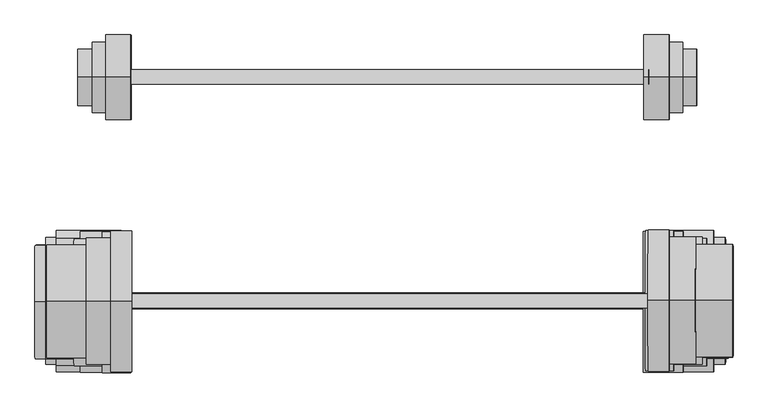
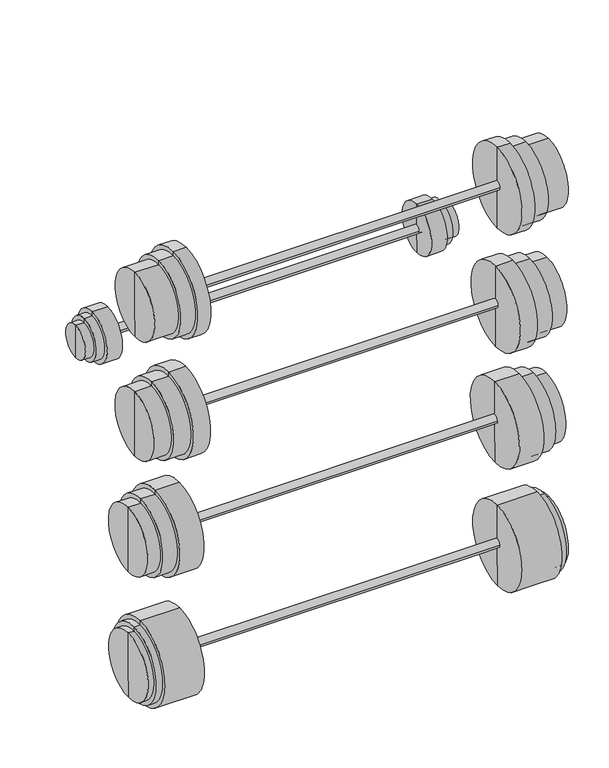
"""IFC4 building model written with IfcOpenShell, lengths in millimetres: proxy geometry."""

from ifc_helpers import new_model, si_unit, point, frame, frame_2d, origin, place, context, project, spatial, circle_curve, trimmed, segment, composite_curve, outline, extrude, source, transform, mapped, element, save
from ifc_brep_helpers import plane_surface, cylinder_surface, advanced_brep


def specialty_equipment_5665deca(model_context):
    return source(origin(), model_context, "Body", "SolidModel", [
        advanced_brep(
        [(1469.1501077, 2905.6755178, 964.8840592), (1469.29486, 2905.6755178, 888.6841967), (1469.0053554, 2905.6755178, 1041.0839217), (1564.3034343, 2905.6755178, 1015.8649079), (1564.4964374, 2905.6755178, 914.2650912), (1564.3999359, 2905.6755178, 965.0649996), (1538.9034802, 2905.6755178, 1015.8166572), (1539.0964832, 2905.6755178, 914.2168405), (1538.8793548, 2905.6755178, 1028.5166342), (1539.1206086, 2905.6755178, 901.5168634), (1515.0639653, 2905.6755178, 1028.4713936), (1515.3052191, 2905.6755178, 901.4716227), (1515.0398399, 2905.6755178, 1041.1713707), (1515.3293444, 2905.6755178, 888.7716456)],
        [
            (0, 1),
            (1, 2, circle_curve(frame((1469.1501077, 2905.6755178, 964.8840592), z_axis=(-0.9999981956892882, 0.0, -0.001899636325284712), x_axis=(0.0018996363252847125, 0.0, -0.9999981956892884)), 76.2)),
            (2, 0),
            (2, 1, circle_curve(frame((1469.1501077, 2905.6755178, 964.8840592), z_axis=(-0.9999981956892882, 0.0, -0.001899636325284712), x_axis=(0.0018996363252847125, 0.0, -0.9999981956892884)), 76.2)),
            (3, 4, circle_curve(frame((1564.3999359, 2905.6755178, 965.0649996), z_axis=(0.9999981956892882, 0.0, 0.001899636325284712), x_axis=(0.0018996363252847125, 0.0, -0.9999981956892884)), 50.8)),
            (4, 5),
            (5, 3),
            (4, 3, circle_curve(frame((1564.3999359, 2905.6755178, 965.0649996), z_axis=(0.9999981956892882, 0.0, 0.001899636325284712), x_axis=(0.0018996363252847125, 0.0, -0.9999981956892884)), 50.8)),
            (6, 7, circle_curve(frame((1538.9999817, 2905.6755178, 965.0167488), z_axis=(0.9999981956892882, 0.0, 0.001899636325284712), x_axis=(0.0018996363252847125, 0.0, -0.9999981956892884)), 50.8)),
            (7, 4),
            (3, 6),
            (7, 6, circle_curve(frame((1538.9999817, 2905.6755178, 965.0167488), z_axis=(0.9999981956892882, 0.0, 0.001899636325284712), x_axis=(0.0018996363252847125, 0.0, -0.9999981956892884)), 50.8)),
            (8, 9, circle_curve(frame((1538.9999817, 2905.6755178, 965.0167488), z_axis=(0.9999981956892882, 0.0, 0.001899636325284712), x_axis=(0.0018996363252847125, 0.0, -0.9999981956892884)), 63.5)),
            (9, 7),
            (6, 8),
            (9, 8, circle_curve(frame((1538.9999817, 2905.6755178, 965.0167488), z_axis=(0.9999981956892882, 0.0, 0.001899636325284712), x_axis=(0.0018996363252847125, 0.0, -0.9999981956892884)), 63.5)),
            (10, 11, circle_curve(frame((1515.1845922, 2905.6755178, 964.9715081), z_axis=(0.9999981956892882, 0.0, 0.001899636325284712), x_axis=(0.0018996363252847125, 0.0, -0.9999981956892884)), 63.5)),
            (11, 9),
            (8, 10),
            (11, 10, circle_curve(frame((1515.1845922, 2905.6755178, 964.9715081), z_axis=(0.9999981956892882, 0.0, 0.001899636325284712), x_axis=(0.0018996363252847125, 0.0, -0.9999981956892884)), 63.5)),
            (12, 13, circle_curve(frame((1515.1845922, 2905.6755178, 964.9715081), z_axis=(0.9999981956892882, 0.0, 0.001899636325284712), x_axis=(0.0018996363252847125, 0.0, -0.9999981956892884)), 76.2)),
            (13, 11),
            (10, 12),
            (13, 12, circle_curve(frame((1515.1845922, 2905.6755178, 964.9715081), z_axis=(0.9999981956892882, 0.0, 0.001899636325284712), x_axis=(0.0018996363252847125, 0.0, -0.9999981956892884)), 76.2)),
            (1, 13),
            (12, 2),
        ],
        [
            plane_surface(frame((1469.1501077, 2905.6755178, 964.8840592), z_axis=(-0.9999981956892882, 0.0, -0.001899636325284712), x_axis=(0.001899636325284712, 0.0, -0.9999981956892882))),
            plane_surface(frame((1564.3999359, 2905.6755178, 965.0649996), z_axis=(0.9999981956892882, 0.0, 0.001899636325284712), x_axis=(0.001899636325284712, 0.0, -0.9999981956892882))),
            cylinder_surface(frame((1564.3999359, 2905.6755178, 965.0649996), z_axis=(-0.9999981956892882, 0.0, -0.001899636325284712), x_axis=(0.0018996363252847125, 0.0, -0.9999981956892884)), 50.8),
            plane_surface(frame((1538.9999817, 2905.6755178, 965.0167488), z_axis=(0.9999981956892882, 0.0, 0.001899636325284712), x_axis=(0.001899636325284712, 0.0, -0.9999981956892882))),
            cylinder_surface(frame((1564.3999359, 2905.6755178, 965.0649996), z_axis=(-0.9999981956892882, 0.0, -0.001899636325284712), x_axis=(0.0018996363252847125, 0.0, -0.9999981956892884)), 63.5),
            plane_surface(frame((1515.1845922, 2905.6755178, 964.9715081), z_axis=(0.9999981956892882, 0.0, 0.001899636325284712), x_axis=(0.001899636325284712, 0.0, -0.9999981956892882))),
            cylinder_surface(frame((1564.3999359, 2905.6755178, 965.0649996), z_axis=(-0.9999981956892882, 0.0, -0.001899636325284712), x_axis=(0.0018996363252847125, 0.0, -0.9999981956892884)), 76.2),
        ],
        [
            (0, [[1, 2, 3]]),
            (0, [[-3, 4, -1]]),
            (1, [[5, 6, 7]]),
            (1, [[8, -7, -6]]),
            (2, [[9, 10, -5, 11]]),
            (2, [[12, -11, -8, -10]]),
            (3, [[13, 14, -9, 15]]),
            (3, [[16, -15, -12, -14]]),
            (4, [[17, 18, -13, 19]]),
            (4, [[20, -19, -16, -18]]),
            (5, [[21, 22, -17, 23]]),
            (5, [[24, -23, -20, -22]]),
            (6, [[-2, 25, -21, 26]]),
            (6, [[-4, -26, -24, -25]]),
        ],
    ),
        extrude(outline(composite_curve([segment(trimmed(circle_curve(frame_2d((0.0, -12.7)), 12.7), [point((0.0, -25.4))], [point((0.0, 0.0))], False, "CARTESIAN"), True, "CONTINUOUS"), segment(trimmed(circle_curve(frame_2d((0.0, -12.7)), 12.7), [point((0.0, 0.0))], [point((0.0, -25.4))], False, "CARTESIAN"), True, "CONTINUOUS")], self_intersect=False)), frame((548.4067578, 2919.2123232, 961.2144949), z_axis=(0.9999981956892882, 0.0, 0.0018996363252847118), x_axis=(0.0018996363252847118, 0.0, -0.9999981956892882)), (0.0, 0.0, 1.0), 929.7628431),
        advanced_brep(
        [(502.9975828, 2905.6755178, 1040.6601923), (503.2870873, 2905.6755178, 888.2604673), (548.5451808, 2905.6755178, 888.3464414), (548.2556763, 2905.6755178, 1040.7461664), (503.0217081, 2905.6755178, 1027.9602152), (503.262962, 2905.6755178, 900.9604444), (478.4299277, 2905.6755178, 1027.9134997), (478.6711815, 2905.6755178, 900.9137288), (478.454053, 2905.6755178, 1015.2135226), (478.6470561, 2905.6755178, 913.6137059), (453.0540989, 2905.6755178, 1015.1652719), (453.2471019, 2905.6755178, 913.5654552), (453.1506004, 2905.6755178, 964.3653635), (548.4004285, 2905.6755178, 964.5463039)],
        [
            (0, 1, circle_curve(frame((503.1423351, 2905.6755178, 964.4603298), z_axis=(0.9999981956892882, 0.0, 0.001899636325284712), x_axis=(0.0018996363252847125, 0.0, -0.9999981956892884)), 76.2)),
            (1, 2),
            (2, 3, circle_curve(frame((548.4004285, 2905.6755178, 964.5463039), z_axis=(-0.9999981956892882, 0.0, -0.001899636325284712), x_axis=(0.0018996363252847125, 0.0, -0.9999981956892884)), 76.2)),
            (3, 0),
            (1, 0, circle_curve(frame((503.1423351, 2905.6755178, 964.4603298), z_axis=(0.9999981956892882, 0.0, 0.001899636325284712), x_axis=(0.0018996363252847125, 0.0, -0.9999981956892884)), 76.2)),
            (3, 2, circle_curve(frame((548.4004285, 2905.6755178, 964.5463039), z_axis=(-0.9999981956892882, 0.0, -0.001899636325284712), x_axis=(0.0018996363252847125, 0.0, -0.9999981956892884)), 76.2)),
            (4, 5, circle_curve(frame((503.1423351, 2905.6755178, 964.4603298), z_axis=(0.9999981956892882, 0.0, 0.001899636325284712), x_axis=(0.0018996363252847125, 0.0, -0.9999981956892884)), 63.5)),
            (5, 1),
            (0, 4),
            (5, 4, circle_curve(frame((503.1423351, 2905.6755178, 964.4603298), z_axis=(0.9999981956892882, 0.0, 0.001899636325284712), x_axis=(0.0018996363252847125, 0.0, -0.9999981956892884)), 63.5)),
            (6, 7, circle_curve(frame((478.5505546, 2905.6755178, 964.4136143), z_axis=(0.9999981956892882, 0.0, 0.001899636325284712), x_axis=(0.0018996363252847125, 0.0, -0.9999981956892884)), 63.5)),
            (7, 5),
            (4, 6),
            (7, 6, circle_curve(frame((478.5505546, 2905.6755178, 964.4136143), z_axis=(0.9999981956892882, 0.0, 0.001899636325284712), x_axis=(0.0018996363252847125, 0.0, -0.9999981956892884)), 63.5)),
            (8, 9, circle_curve(frame((478.5505546, 2905.6755178, 964.4136143), z_axis=(0.9999981956892882, 0.0, 0.001899636325284712), x_axis=(0.0018996363252847125, 0.0, -0.9999981956892884)), 50.8)),
            (9, 7),
            (6, 8),
            (9, 8, circle_curve(frame((478.5505546, 2905.6755178, 964.4136143), z_axis=(0.9999981956892882, 0.0, 0.001899636325284712), x_axis=(0.0018996363252847125, 0.0, -0.9999981956892884)), 50.8)),
            (10, 11, circle_curve(frame((453.1506004, 2905.6755178, 964.3653635), z_axis=(0.9999981956892882, 0.0, 0.001899636325284712), x_axis=(0.0018996363252847125, 0.0, -0.9999981956892884)), 50.8)),
            (11, 9),
            (8, 10),
            (11, 10, circle_curve(frame((453.1506004, 2905.6755178, 964.3653635), z_axis=(0.9999981956892882, 0.0, 0.001899636325284712), x_axis=(0.0018996363252847125, 0.0, -0.9999981956892884)), 50.8)),
            (12, 11),
            (10, 12),
            (2, 13),
            (13, 3),
        ],
        [
            cylinder_surface(frame((453.1506004, 2905.6755178, 964.3653635), z_axis=(-0.9999981956892882, 0.0, -0.001899636325284712), x_axis=(0.0018996363252847125, 0.0, -0.9999981956892884)), 76.2),
            plane_surface(frame((503.1423351, 2905.6755178, 964.4603298), z_axis=(-0.9999981956892882, 0.0, -0.001899636325284712), x_axis=(0.001899636325284712, 0.0, -0.9999981956892882))),
            cylinder_surface(frame((453.1506004, 2905.6755178, 964.3653635), z_axis=(-0.9999981956892882, 0.0, -0.001899636325284712), x_axis=(0.0018996363252847125, 0.0, -0.9999981956892884)), 63.5),
            plane_surface(frame((478.5505546, 2905.6755178, 964.4136143), z_axis=(-0.9999981956892882, 0.0, -0.001899636325284712), x_axis=(0.001899636325284712, 0.0, -0.9999981956892882))),
            cylinder_surface(frame((453.1506004, 2905.6755178, 964.3653635), z_axis=(-0.9999981956892882, 0.0, -0.001899636325284712), x_axis=(0.0018996363252847125, 0.0, -0.9999981956892884)), 50.8),
            plane_surface(frame((453.1506004, 2905.6755178, 964.3653635), z_axis=(-0.9999981956892882, 0.0, -0.001899636325284712), x_axis=(0.001899636325284712, 0.0, -0.9999981956892882))),
            plane_surface(frame((548.4004285, 2905.6755178, 964.5463039), z_axis=(0.9999981956892882, 0.0, 0.001899636325284712), x_axis=(0.001899636325284712, 0.0, -0.9999981956892882))),
        ],
        [
            (0, [[1, 2, 3, 4]]),
            (0, [[5, -4, 6, -2]]),
            (1, [[7, 8, -1, 9]]),
            (1, [[10, -9, -5, -8]]),
            (2, [[11, 12, -7, 13]]),
            (2, [[14, -13, -10, -12]]),
            (3, [[15, 16, -11, 17]]),
            (3, [[18, -17, -14, -16]]),
            (4, [[19, 20, -15, 21]]),
            (4, [[22, -21, -18, -20]]),
            (5, [[23, -19, 24]]),
            (5, [[-24, -22, -23]]),
            (6, [[-3, 25, 26]]),
            (6, [[-6, -26, -25]]),
        ],
    ),
        extrude(outline(composite_curve([segment(trimmed(circle_curve(frame_2d((0.0, -12.7)), 12.7), [point((0.0, -25.4))], [point((0.0, 0.0))], False, "CARTESIAN"), True, "CONTINUOUS"), segment(trimmed(circle_curve(frame_2d((0.0, -12.7)), 12.7), [point((0.0, 0.0))], [point((0.0, -25.4))], False, "CARTESIAN"), True, "CONTINUOUS")], self_intersect=False)), frame((497.5993768, 2515.108288, 609.0766567), z_axis=(0.9999981956892882, 0.0, 0.001899636325278269), x_axis=(0.001899636325278269, 0.0, -0.9999981956892882)), (0.0, 0.0, 1.0), 975.2843977),
        advanced_brep(
        [(1468.1498944, 2501.5714826, 600.823924), (1468.3911482, 2501.5714826, 473.8241531), (1467.9086406, 2501.5714826, 727.8236948), (1620.3566164, 2501.5714826, 702.7132452), (1620.7426225, 2501.5714826, 499.5136119), (1620.5496195, 2501.5714826, 601.1134285), (1582.2740777, 2501.5714826, 702.6409021), (1582.6600838, 2501.5714826, 499.4412687), (1582.2499523, 2501.5714826, 715.3408792), (1582.6842092, 2501.5714826, 486.7412917), (1540.0307396, 2501.5714826, 715.2606779), (1540.4649965, 2501.5714826, 486.6610904), (1540.0066142, 2501.5714826, 727.960655), (1540.4891218, 2501.5714826, 473.9611133)],
        [
            (0, 1),
            (1, 2, circle_curve(frame((1468.1498944, 2501.5714826, 600.823924), z_axis=(-0.9999981956892882, 0.0, -0.0018996363252782693), x_axis=(0.0018996363252782697, 0.0, -0.9999981956892884)), 127.0)),
            (2, 0),
            (2, 1, circle_curve(frame((1468.1498944, 2501.5714826, 600.823924), z_axis=(-0.9999981956892882, 0.0, -0.0018996363252782693), x_axis=(0.0018996363252782697, 0.0, -0.9999981956892884)), 127.0)),
            (3, 4, circle_curve(frame((1620.5496195, 2501.5714826, 601.1134285), z_axis=(0.9999981956892882, 0.0, 0.0018996363252782693), x_axis=(0.0018996363252782697, 0.0, -0.9999981956892884)), 101.6)),
            (4, 5),
            (5, 3),
            (4, 3, circle_curve(frame((1620.5496195, 2501.5714826, 601.1134285), z_axis=(0.9999981956892882, 0.0, 0.0018996363252782693), x_axis=(0.0018996363252782697, 0.0, -0.9999981956892884)), 101.6)),
            (6, 7, circle_curve(frame((1582.4670808, 2501.5714826, 601.0410854), z_axis=(0.9999981956892882, 0.0, 0.0018996363252782693), x_axis=(0.0018996363252782697, 0.0, -0.9999981956892884)), 101.6)),
            (7, 4),
            (3, 6),
            (7, 6, circle_curve(frame((1582.4670808, 2501.5714826, 601.0410854), z_axis=(0.9999981956892882, 0.0, 0.0018996363252782693), x_axis=(0.0018996363252782697, 0.0, -0.9999981956892884)), 101.6)),
            (8, 9, circle_curve(frame((1582.4670808, 2501.5714826, 601.0410854), z_axis=(0.9999981956892882, 0.0, 0.0018996363252782693), x_axis=(0.0018996363252782697, 0.0, -0.9999981956892884)), 114.3)),
            (9, 7),
            (6, 8),
            (9, 8, circle_curve(frame((1582.4670808, 2501.5714826, 601.0410854), z_axis=(0.9999981956892882, 0.0, 0.0018996363252782693), x_axis=(0.0018996363252782697, 0.0, -0.9999981956892884)), 114.3)),
            (10, 11, circle_curve(frame((1540.247868, 2501.5714826, 600.9608841), z_axis=(0.9999981956892882, 0.0, 0.0018996363252782693), x_axis=(0.0018996363252782697, 0.0, -0.9999981956892884)), 114.3)),
            (11, 9),
            (8, 10),
            (11, 10, circle_curve(frame((1540.247868, 2501.5714826, 600.9608841), z_axis=(0.9999981956892882, 0.0, 0.0018996363252782693), x_axis=(0.0018996363252782697, 0.0, -0.9999981956892884)), 114.3)),
            (12, 13, circle_curve(frame((1540.247868, 2501.5714826, 600.9608841), z_axis=(0.9999981956892882, 0.0, 0.0018996363252782693), x_axis=(0.0018996363252782697, 0.0, -0.9999981956892884)), 127.0)),
            (13, 11),
            (10, 12),
            (13, 12, circle_curve(frame((1540.247868, 2501.5714826, 600.9608841), z_axis=(0.9999981956892882, 0.0, 0.0018996363252782693), x_axis=(0.0018996363252782697, 0.0, -0.9999981956892884)), 127.0)),
            (1, 13),
            (12, 2),
        ],
        [
            plane_surface(frame((1468.1498944, 2501.5714826, 600.823924), z_axis=(-0.9999981956892882, 0.0, -0.0018996363252782693), x_axis=(0.0018996363252782693, 0.0, -0.9999981956892882))),
            plane_surface(frame((1620.5496195, 2501.5714826, 601.1134285), z_axis=(0.9999981956892882, 0.0, 0.0018996363252782693), x_axis=(0.0018996363252782693, 0.0, -0.9999981956892882))),
            cylinder_surface(frame((1620.5496195, 2501.5714826, 601.1134285), z_axis=(-0.9999981956892882, 0.0, -0.0018996363252782693), x_axis=(0.0018996363252782697, 0.0, -0.9999981956892884)), 101.6),
            plane_surface(frame((1582.4670808, 2501.5714826, 601.0410854), z_axis=(0.9999981956892882, 0.0, 0.0018996363252782693), x_axis=(0.0018996363252782693, 0.0, -0.9999981956892882))),
            cylinder_surface(frame((1620.5496195, 2501.5714826, 601.1134285), z_axis=(-0.9999981956892882, 0.0, -0.0018996363252782693), x_axis=(0.0018996363252782697, 0.0, -0.9999981956892884)), 114.3),
            plane_surface(frame((1540.247868, 2501.5714826, 600.9608841), z_axis=(0.9999981956892882, 0.0, 0.0018996363252782693), x_axis=(0.0018996363252782693, 0.0, -0.9999981956892882))),
            cylinder_surface(frame((1620.5496195, 2501.5714826, 601.1134285), z_axis=(-0.9999981956892882, 0.0, -0.0018996363252782693), x_axis=(0.0018996363252782697, 0.0, -0.9999981956892884)), 127.0),
        ],
        [
            (0, [[1, 2, 3]]),
            (0, [[-3, 4, -1]]),
            (1, [[5, 6, 7]]),
            (1, [[8, -7, -6]]),
            (2, [[9, 10, -5, 11]]),
            (2, [[12, -11, -8, -10]]),
            (3, [[13, 14, -9, 15]]),
            (3, [[16, -15, -12, -14]]),
            (4, [[17, 18, -13, 19]]),
            (4, [[20, -19, -16, -18]]),
            (5, [[21, 22, -17, 23]]),
            (5, [[24, -23, -20, -22]]),
            (6, [[-2, 25, -21, 26]]),
            (6, [[-4, -26, -24, -25]]),
        ],
    ),
        advanced_brep(
        [(456.9088376, 2501.5714826, 740.6491981), (457.3913453, 2501.5714826, 486.6496564), (528.7075253, 2501.5714826, 486.7851315), (528.2250177, 2501.5714826, 740.7846732), (456.932963, 2501.5714826, 727.949221), (457.3672199, 2501.5714826, 499.3496335), (413.7261074, 2501.5714826, 727.8671436), (414.1603643, 2501.5714826, 499.267556), (413.7502328, 2501.5714826, 715.1671665), (414.1362389, 2501.5714826, 511.9675331), (375.8735435, 2501.5714826, 715.0952144), (376.2595496, 2501.5714826, 511.8955811), (376.0665465, 2501.5714826, 613.4953977), (528.4662715, 2501.5714826, 613.7849023)],
        [
            (0, 1, circle_curve(frame((457.1500915, 2501.5714826, 613.6494273), z_axis=(0.9999981956892882, 0.0, 0.0018996363252782693), x_axis=(0.0018996363252782697, 0.0, -0.9999981956892884)), 127.0)),
            (1, 2),
            (2, 3, circle_curve(frame((528.4662715, 2501.5714826, 613.7849023), z_axis=(-0.9999981956892882, 0.0, -0.0018996363252782693), x_axis=(0.0018996363252782697, 0.0, -0.9999981956892884)), 127.0)),
            (3, 0),
            (1, 0, circle_curve(frame((457.1500915, 2501.5714826, 613.6494273), z_axis=(0.9999981956892882, 0.0, 0.0018996363252782693), x_axis=(0.0018996363252782697, 0.0, -0.9999981956892884)), 127.0)),
            (3, 2, circle_curve(frame((528.4662715, 2501.5714826, 613.7849023), z_axis=(-0.9999981956892882, 0.0, -0.0018996363252782693), x_axis=(0.0018996363252782697, 0.0, -0.9999981956892884)), 127.0)),
            (4, 5, circle_curve(frame((457.1500915, 2501.5714826, 613.6494273), z_axis=(0.9999981956892882, 0.0, 0.0018996363252782693), x_axis=(0.0018996363252782697, 0.0, -0.9999981956892884)), 114.3)),
            (5, 1),
            (0, 4),
            (5, 4, circle_curve(frame((457.1500915, 2501.5714826, 613.6494273), z_axis=(0.9999981956892882, 0.0, 0.0018996363252782693), x_axis=(0.0018996363252782697, 0.0, -0.9999981956892884)), 114.3)),
            (6, 7, circle_curve(frame((413.9432358, 2501.5714826, 613.5673498), z_axis=(0.9999981956892882, 0.0, 0.0018996363252782693), x_axis=(0.0018996363252782697, 0.0, -0.9999981956892884)), 114.3)),
            (7, 5),
            (4, 6),
            (7, 6, circle_curve(frame((413.9432358, 2501.5714826, 613.5673498), z_axis=(0.9999981956892882, 0.0, 0.0018996363252782693), x_axis=(0.0018996363252782697, 0.0, -0.9999981956892884)), 114.3)),
            (8, 9, circle_curve(frame((413.9432358, 2501.5714826, 613.5673498), z_axis=(0.9999981956892882, 0.0, 0.0018996363252782693), x_axis=(0.0018996363252782697, 0.0, -0.9999981956892884)), 101.6)),
            (9, 7),
            (6, 8),
            (9, 8, circle_curve(frame((413.9432358, 2501.5714826, 613.5673498), z_axis=(0.9999981956892882, 0.0, 0.0018996363252782693), x_axis=(0.0018996363252782697, 0.0, -0.9999981956892884)), 101.6)),
            (10, 11, circle_curve(frame((376.0665465, 2501.5714826, 613.4953977), z_axis=(0.9999981956892882, 0.0, 0.0018996363252782693), x_axis=(0.0018996363252782697, 0.0, -0.9999981956892884)), 101.6)),
            (11, 9),
            (8, 10),
            (11, 10, circle_curve(frame((376.0665465, 2501.5714826, 613.4953977), z_axis=(0.9999981956892882, 0.0, 0.0018996363252782693), x_axis=(0.0018996363252782697, 0.0, -0.9999981956892884)), 101.6)),
            (12, 11),
            (10, 12),
            (2, 13),
            (13, 3),
        ],
        [
            cylinder_surface(frame((376.0665465, 2501.5714826, 613.4953977), z_axis=(-0.9999981956892882, 0.0, -0.0018996363252782693), x_axis=(0.0018996363252782697, 0.0, -0.9999981956892884)), 127.0),
            plane_surface(frame((457.1500915, 2501.5714826, 613.6494273), z_axis=(-0.9999981956892882, 0.0, -0.0018996363252782693), x_axis=(0.0018996363252782693, 0.0, -0.9999981956892882))),
            cylinder_surface(frame((376.0665465, 2501.5714826, 613.4953977), z_axis=(-0.9999981956892882, 0.0, -0.0018996363252782693), x_axis=(0.0018996363252782697, 0.0, -0.9999981956892884)), 114.3),
            plane_surface(frame((413.9432358, 2501.5714826, 613.5673498), z_axis=(-0.9999981956892882, 0.0, -0.0018996363252782693), x_axis=(0.0018996363252782693, 0.0, -0.9999981956892882))),
            cylinder_surface(frame((376.0665465, 2501.5714826, 613.4953977), z_axis=(-0.9999981956892882, 0.0, -0.0018996363252782693), x_axis=(0.0018996363252782697, 0.0, -0.9999981956892884)), 101.6),
            plane_surface(frame((376.0665465, 2501.5714826, 613.4953977), z_axis=(-0.9999981956892882, 0.0, -0.0018996363252782693), x_axis=(0.0018996363252782693, 0.0, -0.9999981956892882))),
            plane_surface(frame((528.4662715, 2501.5714826, 613.7849023), z_axis=(0.9999981956892882, 0.0, 0.0018996363252782693), x_axis=(0.0018996363252782693, 0.0, -0.9999981956892882))),
        ],
        [
            (0, [[1, 2, 3, 4]]),
            (0, [[5, -4, 6, -2]]),
            (1, [[7, 8, -1, 9]]),
            (1, [[10, -9, -5, -8]]),
            (2, [[11, 12, -7, 13]]),
            (2, [[14, -13, -10, -12]]),
            (3, [[15, 16, -11, 17]]),
            (3, [[18, -17, -14, -16]]),
            (4, [[19, 20, -15, 21]]),
            (4, [[22, -21, -18, -20]]),
            (5, [[23, -19, 24]]),
            (5, [[-24, -22, -23]]),
            (6, [[-3, 25, 26]]),
            (6, [[-6, -26, -25]]),
        ],
    ),
        extrude(outline(composite_curve([segment(trimmed(circle_curve(frame_2d((0.0, -12.7)), 12.7), [point((0.0, -25.4))], [point((0.0, 0.0))], False, "CARTESIAN"), True, "CONTINUOUS"), segment(trimmed(circle_curve(frame_2d((0.0, -12.7)), 12.7), [point((0.0, 0.0))], [point((0.0, -25.4))], False, "CARTESIAN"), True, "CONTINUOUS")], self_intersect=False)), frame((541.2309603, 2516.4545822, 1339.8476702), z_axis=(0.9999981956892882, 0.0, 0.001899636325278269), x_axis=(0.001899636325278269, 0.0, -0.9999981956892882)), (0.0, 0.0, 1.0), 935.5994921),
        advanced_brep(
        [(1476.8445578, 2504.4587063, 1333.3109977), (1477.0858116, 2504.4587063, 1206.3112269), (1476.603304, 2504.4587063, 1460.3107686), (1629.0512798, 2504.4587063, 1435.200319), (1629.4372859, 2504.4587063, 1232.0006856), (1629.2442828, 2504.4587063, 1333.6005023), (1561.9329314, 2504.4587063, 1435.0728183), (1562.3189375, 2504.4587063, 1231.873185), (1561.908806, 2504.4587063, 1447.7727954), (1562.3430629, 2504.4587063, 1219.1732079), (1514.875273, 2504.4587063, 1447.6834486), (1515.3095298, 2504.4587063, 1219.0838611), (1514.8511476, 2504.4587063, 1460.3834257), (1515.3336552, 2504.4587063, 1206.383884)],
        [
            (0, 1),
            (1, 2, circle_curve(frame((1476.8445578, 2504.4587063, 1333.3109977), z_axis=(-0.9999981956892882, 0.0, -0.0018996363252782693), x_axis=(0.0018996363252782697, 0.0, -0.9999981956892884)), 127.0)),
            (2, 0),
            (2, 1, circle_curve(frame((1476.8445578, 2504.4587063, 1333.3109977), z_axis=(-0.9999981956892882, 0.0, -0.0018996363252782693), x_axis=(0.0018996363252782697, 0.0, -0.9999981956892884)), 127.0)),
            (3, 4, circle_curve(frame((1629.2442828, 2504.4587063, 1333.6005023), z_axis=(0.9999981956892882, 0.0, 0.0018996363252782693), x_axis=(0.0018996363252782697, 0.0, -0.9999981956892884)), 101.6)),
            (4, 5),
            (5, 3),
            (4, 3, circle_curve(frame((1629.2442828, 2504.4587063, 1333.6005023), z_axis=(0.9999981956892882, 0.0, 0.0018996363252782693), x_axis=(0.0018996363252782697, 0.0, -0.9999981956892884)), 101.6)),
            (6, 7, circle_curve(frame((1562.1259345, 2504.4587063, 1333.4730016), z_axis=(0.9999981956892882, 0.0, 0.0018996363252782693), x_axis=(0.0018996363252782697, 0.0, -0.9999981956892884)), 101.6)),
            (7, 4),
            (3, 6),
            (7, 6, circle_curve(frame((1562.1259345, 2504.4587063, 1333.4730016), z_axis=(0.9999981956892882, 0.0, 0.0018996363252782693), x_axis=(0.0018996363252782697, 0.0, -0.9999981956892884)), 101.6)),
            (8, 9, circle_curve(frame((1562.1259345, 2504.4587063, 1333.4730016), z_axis=(0.9999981956892882, 0.0, 0.0018996363252782693), x_axis=(0.0018996363252782697, 0.0, -0.9999981956892884)), 114.3)),
            (9, 7),
            (6, 8),
            (9, 8, circle_curve(frame((1562.1259345, 2504.4587063, 1333.4730016), z_axis=(0.9999981956892882, 0.0, 0.0018996363252782693), x_axis=(0.0018996363252782697, 0.0, -0.9999981956892884)), 114.3)),
            (10, 11, circle_curve(frame((1515.0924014, 2504.4587063, 1333.3836549), z_axis=(0.9999981956892882, 0.0, 0.0018996363252782693), x_axis=(0.0018996363252782697, 0.0, -0.9999981956892884)), 114.3)),
            (11, 9),
            (8, 10),
            (11, 10, circle_curve(frame((1515.0924014, 2504.4587063, 1333.3836549), z_axis=(0.9999981956892882, 0.0, 0.0018996363252782693), x_axis=(0.0018996363252782697, 0.0, -0.9999981956892884)), 114.3)),
            (12, 13, circle_curve(frame((1515.0924014, 2504.4587063, 1333.3836549), z_axis=(0.9999981956892882, 0.0, 0.0018996363252782693), x_axis=(0.0018996363252782697, 0.0, -0.9999981956892884)), 127.0)),
            (13, 11),
            (10, 12),
            (13, 12, circle_curve(frame((1515.0924014, 2504.4587063, 1333.3836549), z_axis=(0.9999981956892882, 0.0, 0.0018996363252782693), x_axis=(0.0018996363252782697, 0.0, -0.9999981956892884)), 127.0)),
            (1, 13),
            (12, 2),
        ],
        [
            plane_surface(frame((1476.8445578, 2504.4587063, 1333.3109977), z_axis=(-0.9999981956892882, 0.0, -0.0018996363252782693), x_axis=(0.0018996363252782693, 0.0, -0.9999981956892882))),
            plane_surface(frame((1629.2442828, 2504.4587063, 1333.6005023), z_axis=(0.9999981956892882, 0.0, 0.0018996363252782693), x_axis=(0.0018996363252782693, 0.0, -0.9999981956892882))),
            cylinder_surface(frame((1629.2442828, 2504.4587063, 1333.6005023), z_axis=(-0.9999981956892882, 0.0, -0.0018996363252782693), x_axis=(0.0018996363252782697, 0.0, -0.9999981956892884)), 101.6),
            plane_surface(frame((1562.1259345, 2504.4587063, 1333.4730016), z_axis=(0.9999981956892882, 0.0, 0.0018996363252782693), x_axis=(0.0018996363252782693, 0.0, -0.9999981956892882))),
            cylinder_surface(frame((1629.2442828, 2504.4587063, 1333.6005023), z_axis=(-0.9999981956892882, 0.0, -0.0018996363252782693), x_axis=(0.0018996363252782697, 0.0, -0.9999981956892884)), 114.3),
            plane_surface(frame((1515.0924014, 2504.4587063, 1333.3836549), z_axis=(0.9999981956892882, 0.0, 0.0018996363252782693), x_axis=(0.0018996363252782693, 0.0, -0.9999981956892882))),
            cylinder_surface(frame((1629.2442828, 2504.4587063, 1333.6005023), z_axis=(-0.9999981956892882, 0.0, -0.0018996363252782693), x_axis=(0.0018996363252782697, 0.0, -0.9999981956892884)), 127.0),
        ],
        [
            (0, [[1, 2, 3]]),
            (0, [[-3, 4, -1]]),
            (1, [[5, 6, 7]]),
            (1, [[8, -7, -6]]),
            (2, [[9, 10, -5, 11]]),
            (2, [[12, -11, -8, -10]]),
            (3, [[13, 14, -9, 15]]),
            (3, [[16, -15, -12, -14]]),
            (4, [[17, 18, -13, 19]]),
            (4, [[20, -19, -16, -18]]),
            (5, [[21, 22, -17, 23]]),
            (5, [[24, -23, -20, -22]]),
            (6, [[-2, 25, -21, 26]]),
            (6, [[-4, -26, -24, -25]]),
        ],
    ),
        advanced_brep(
        [(511.6214157, 2502.9177768, 1471.4412615), (512.1039233, 2502.9177768, 1217.4417198), (549.8675626, 2502.9177768, 1217.5134571), (549.3850549, 2502.9177768, 1471.5129988), (511.6455411, 2502.9177768, 1458.7412844), (512.0797979, 2502.9177768, 1230.1416969), (467.8639373, 2502.9177768, 1458.6581151), (468.2981942, 2502.9177768, 1230.0585276), (467.8880627, 2502.9177768, 1445.958138), (468.2740688, 2502.9177768, 1242.7585047), (397.0335807, 2502.9177768, 1445.82354), (397.4195868, 2502.9177768, 1242.6239067), (397.2265837, 2502.9177768, 1344.2237234), (549.6263087, 2502.9177768, 1344.5132279)],
        [
            (0, 1, circle_curve(frame((511.8626695, 2502.9177768, 1344.4414906), z_axis=(0.9999981956892882, 0.0, 0.0018996363252782693), x_axis=(0.0018996363252782697, 0.0, -0.9999981956892884)), 127.0)),
            (1, 2),
            (2, 3, circle_curve(frame((549.6263087, 2502.9177768, 1344.5132279), z_axis=(-0.9999981956892882, 0.0, -0.0018996363252782693), x_axis=(0.0018996363252782697, 0.0, -0.9999981956892884)), 127.0)),
            (3, 0),
            (1, 0, circle_curve(frame((511.8626695, 2502.9177768, 1344.4414906), z_axis=(0.9999981956892882, 0.0, 0.0018996363252782693), x_axis=(0.0018996363252782697, 0.0, -0.9999981956892884)), 127.0)),
            (3, 2, circle_curve(frame((549.6263087, 2502.9177768, 1344.5132279), z_axis=(-0.9999981956892882, 0.0, -0.0018996363252782693), x_axis=(0.0018996363252782697, 0.0, -0.9999981956892884)), 127.0)),
            (4, 5, circle_curve(frame((511.8626695, 2502.9177768, 1344.4414906), z_axis=(0.9999981956892882, 0.0, 0.0018996363252782693), x_axis=(0.0018996363252782697, 0.0, -0.9999981956892884)), 114.3)),
            (5, 1),
            (0, 4),
            (5, 4, circle_curve(frame((511.8626695, 2502.9177768, 1344.4414906), z_axis=(0.9999981956892882, 0.0, 0.0018996363252782693), x_axis=(0.0018996363252782697, 0.0, -0.9999981956892884)), 114.3)),
            (6, 7, circle_curve(frame((468.0810657, 2502.9177768, 1344.3583214), z_axis=(0.9999981956892882, 0.0, 0.0018996363252782693), x_axis=(0.0018996363252782697, 0.0, -0.9999981956892884)), 114.3)),
            (7, 5),
            (4, 6),
            (7, 6, circle_curve(frame((468.0810657, 2502.9177768, 1344.3583214), z_axis=(0.9999981956892882, 0.0, 0.0018996363252782693), x_axis=(0.0018996363252782697, 0.0, -0.9999981956892884)), 114.3)),
            (8, 9, circle_curve(frame((468.0810657, 2502.9177768, 1344.3583214), z_axis=(0.9999981956892882, 0.0, 0.0018996363252782693), x_axis=(0.0018996363252782697, 0.0, -0.9999981956892884)), 101.6)),
            (9, 7),
            (6, 8),
            (9, 8, circle_curve(frame((468.0810657, 2502.9177768, 1344.3583214), z_axis=(0.9999981956892882, 0.0, 0.0018996363252782693), x_axis=(0.0018996363252782697, 0.0, -0.9999981956892884)), 101.6)),
            (10, 11, circle_curve(frame((397.2265837, 2502.9177768, 1344.2237234), z_axis=(0.9999981956892882, 0.0, 0.0018996363252782693), x_axis=(0.0018996363252782697, 0.0, -0.9999981956892884)), 101.6)),
            (11, 9),
            (8, 10),
            (11, 10, circle_curve(frame((397.2265837, 2502.9177768, 1344.2237234), z_axis=(0.9999981956892882, 0.0, 0.0018996363252782693), x_axis=(0.0018996363252782697, 0.0, -0.9999981956892884)), 101.6)),
            (12, 11),
            (10, 12),
            (2, 13),
            (13, 3),
        ],
        [
            cylinder_surface(frame((397.2265837, 2502.9177768, 1344.2237234), z_axis=(-0.9999981956892882, 0.0, -0.0018996363252782693), x_axis=(0.0018996363252782697, 0.0, -0.9999981956892884)), 127.0),
            plane_surface(frame((511.8626695, 2502.9177768, 1344.4414906), z_axis=(-0.9999981956892882, 0.0, -0.0018996363252782693), x_axis=(0.0018996363252782693, 0.0, -0.9999981956892882))),
            cylinder_surface(frame((397.2265837, 2502.9177768, 1344.2237234), z_axis=(-0.9999981956892882, 0.0, -0.0018996363252782693), x_axis=(0.0018996363252782697, 0.0, -0.9999981956892884)), 114.3),
            plane_surface(frame((468.0810657, 2502.9177768, 1344.3583214), z_axis=(-0.9999981956892882, 0.0, -0.0018996363252782693), x_axis=(0.0018996363252782693, 0.0, -0.9999981956892882))),
            cylinder_surface(frame((397.2265837, 2502.9177768, 1344.2237234), z_axis=(-0.9999981956892882, 0.0, -0.0018996363252782693), x_axis=(0.0018996363252782697, 0.0, -0.9999981956892884)), 101.6),
            plane_surface(frame((397.2265837, 2502.9177768, 1344.2237234), z_axis=(-0.9999981956892882, 0.0, -0.0018996363252782693), x_axis=(0.0018996363252782693, 0.0, -0.9999981956892882))),
            plane_surface(frame((549.6263087, 2502.9177768, 1344.5132279), z_axis=(0.9999981956892882, 0.0, 0.0018996363252782693), x_axis=(0.0018996363252782693, 0.0, -0.9999981956892882))),
        ],
        [
            (0, [[1, 2, 3, 4]]),
            (0, [[5, -4, 6, -2]]),
            (1, [[7, 8, -1, 9]]),
            (1, [[10, -9, -5, -8]]),
            (2, [[11, 12, -7, 13]]),
            (2, [[14, -13, -10, -12]]),
            (3, [[15, 16, -11, 17]]),
            (3, [[18, -17, -14, -16]]),
            (4, [[19, 20, -15, 21]]),
            (4, [[22, -21, -18, -20]]),
            (5, [[23, -19, 24]]),
            (5, [[-24, -22, -23]]),
            (6, [[-3, 25, 26]]),
            (6, [[-6, -26, -25]]),
        ],
    ),
        extrude(outline(composite_curve([segment(trimmed(circle_curve(frame_2d((0.0, -12.7)), 12.7), [point((0.0, -25.4))], [point((0.0, 0.0))], False, "CARTESIAN"), True, "CONTINUOUS"), segment(trimmed(circle_curve(frame_2d((0.0, -12.7)), 12.7), [point((0.0, 0.0))], [point((0.0, -25.4))], False, "CARTESIAN"), True, "CONTINUOUS")], self_intersect=False)), frame((541.9336321, 2517.8008763, 969.9502671), z_axis=(0.9999981956892882, 0.0, 0.001899636325278269), x_axis=(0.001899636325278269, 0.0, -0.9999981956892882)), (0.0, 0.0, 1.0), 951.7721838),
        advanced_brep(
        [(1472.2157448, 2504.2640709, 961.6642378), (1472.4569986, 2504.2640709, 834.6644669), (1471.9744909, 2504.2640709, 1088.6640086), (1624.4224667, 2504.2640709, 1063.553559), (1624.8084728, 2504.2640709, 860.3539256), (1624.6154698, 2504.2640709, 961.9537423), (1573.6225584, 2504.2640709, 1063.4570575), (1574.0085645, 2504.2640709, 860.2574241), (1573.598433, 2504.2640709, 1076.1570346), (1574.0326899, 2504.2640709, 847.557447), (1522.7985247, 2504.2640709, 1076.060533), (1523.2327815, 2504.2640709, 847.4609455), (1522.7743993, 2504.2640709, 1088.7605101), (1523.2569069, 2504.2640709, 834.7609684)],
        [
            (0, 1),
            (1, 2, circle_curve(frame((1472.2157448, 2504.2640709, 961.6642378), z_axis=(-0.9999981956892882, 0.0, -0.0018996363252782693), x_axis=(0.0018996363252782697, 0.0, -0.9999981956892884)), 127.0)),
            (2, 0),
            (2, 1, circle_curve(frame((1472.2157448, 2504.2640709, 961.6642378), z_axis=(-0.9999981956892882, 0.0, -0.0018996363252782693), x_axis=(0.0018996363252782697, 0.0, -0.9999981956892884)), 127.0)),
            (3, 4, circle_curve(frame((1624.6154698, 2504.2640709, 961.9537423), z_axis=(0.9999981956892882, 0.0, 0.0018996363252782693), x_axis=(0.0018996363252782697, 0.0, -0.9999981956892884)), 101.6)),
            (4, 5),
            (5, 3),
            (4, 3, circle_curve(frame((1624.6154698, 2504.2640709, 961.9537423), z_axis=(0.9999981956892882, 0.0, 0.0018996363252782693), x_axis=(0.0018996363252782697, 0.0, -0.9999981956892884)), 101.6)),
            (6, 7, circle_curve(frame((1573.8155614, 2504.2640709, 961.8572408), z_axis=(0.9999981956892882, 0.0, 0.0018996363252782693), x_axis=(0.0018996363252782697, 0.0, -0.9999981956892884)), 101.6)),
            (7, 4),
            (3, 6),
            (7, 6, circle_curve(frame((1573.8155614, 2504.2640709, 961.8572408), z_axis=(0.9999981956892882, 0.0, 0.0018996363252782693), x_axis=(0.0018996363252782697, 0.0, -0.9999981956892884)), 101.6)),
            (8, 9, circle_curve(frame((1573.8155614, 2504.2640709, 961.8572408), z_axis=(0.9999981956892882, 0.0, 0.0018996363252782693), x_axis=(0.0018996363252782697, 0.0, -0.9999981956892884)), 114.3)),
            (9, 7),
            (6, 8),
            (9, 8, circle_curve(frame((1573.8155614, 2504.2640709, 961.8572408), z_axis=(0.9999981956892882, 0.0, 0.0018996363252782693), x_axis=(0.0018996363252782697, 0.0, -0.9999981956892884)), 114.3)),
            (10, 11, circle_curve(frame((1523.0156531, 2504.2640709, 961.7607393), z_axis=(0.9999981956892882, 0.0, 0.0018996363252782693), x_axis=(0.0018996363252782697, 0.0, -0.9999981956892884)), 114.3)),
            (11, 9),
            (8, 10),
            (11, 10, circle_curve(frame((1523.0156531, 2504.2640709, 961.7607393), z_axis=(0.9999981956892882, 0.0, 0.0018996363252782693), x_axis=(0.0018996363252782697, 0.0, -0.9999981956892884)), 114.3)),
            (12, 13, circle_curve(frame((1523.0156531, 2504.2640709, 961.7607393), z_axis=(0.9999981956892882, 0.0, 0.0018996363252782693), x_axis=(0.0018996363252782697, 0.0, -0.9999981956892884)), 127.0)),
            (13, 11),
            (10, 12),
            (13, 12, circle_curve(frame((1523.0156531, 2504.2640709, 961.7607393), z_axis=(0.9999981956892882, 0.0, 0.0018996363252782693), x_axis=(0.0018996363252782697, 0.0, -0.9999981956892884)), 127.0)),
            (1, 13),
            (12, 2),
        ],
        [
            plane_surface(frame((1472.2157448, 2504.2640709, 961.6642378), z_axis=(-0.9999981956892882, 0.0, -0.0018996363252782693), x_axis=(0.0018996363252782693, 0.0, -0.9999981956892882))),
            plane_surface(frame((1624.6154698, 2504.2640709, 961.9537423), z_axis=(0.9999981956892882, 0.0, 0.0018996363252782693), x_axis=(0.0018996363252782693, 0.0, -0.9999981956892882))),
            cylinder_surface(frame((1624.6154698, 2504.2640709, 961.9537423), z_axis=(-0.9999981956892882, 0.0, -0.0018996363252782693), x_axis=(0.0018996363252782697, 0.0, -0.9999981956892884)), 101.6),
            plane_surface(frame((1573.8155614, 2504.2640709, 961.8572408), z_axis=(0.9999981956892882, 0.0, 0.0018996363252782693), x_axis=(0.0018996363252782693, 0.0, -0.9999981956892882))),
            cylinder_surface(frame((1624.6154698, 2504.2640709, 961.9537423), z_axis=(-0.9999981956892882, 0.0, -0.0018996363252782693), x_axis=(0.0018996363252782697, 0.0, -0.9999981956892884)), 114.3),
            plane_surface(frame((1523.0156531, 2504.2640709, 961.7607393), z_axis=(0.9999981956892882, 0.0, 0.0018996363252782693), x_axis=(0.0018996363252782693, 0.0, -0.9999981956892882))),
            cylinder_surface(frame((1624.6154698, 2504.2640709, 961.9537423), z_axis=(-0.9999981956892882, 0.0, -0.0018996363252782693), x_axis=(0.0018996363252782697, 0.0, -0.9999981956892884)), 127.0),
        ],
        [
            (0, [[1, 2, 3]]),
            (0, [[-3, 4, -1]]),
            (1, [[5, 6, 7]]),
            (1, [[8, -7, -6]]),
            (2, [[9, 10, -5, 11]]),
            (2, [[12, -11, -8, -10]]),
            (3, [[13, 14, -9, 15]]),
            (3, [[16, -15, -12, -14]]),
            (4, [[17, 18, -13, 19]]),
            (4, [[20, -19, -16, -18]]),
            (5, [[21, 22, -17, 23]]),
            (5, [[24, -23, -20, -22]]),
            (6, [[-2, 25, -21, 26]]),
            (6, [[-4, -26, -24, -25]]),
        ],
    ),
        advanced_brep(
        [(496.6702543, 2501.1822119, 1098.1812014), (497.152762, 2501.1822119, 844.1816597), (547.9526703, 2501.1822119, 844.2781612), (547.4701627, 2501.1822119, 1098.2777029), (496.6943797, 2501.1822119, 1085.4812243), (497.1286366, 2501.1822119, 856.8816367), (445.8944714, 2501.1822119, 1085.3847227), (446.3287282, 2501.1822119, 856.7851352), (445.9185968, 2501.1822119, 1072.6847457), (446.3046029, 2501.1822119, 869.4851123), (395.1186884, 2501.1822119, 1072.5882441), (395.5046945, 2501.1822119, 869.3886108), (395.3116915, 2501.1822119, 970.9884275), (547.7114165, 2501.1822119, 971.277932)],
        [
            (0, 1, circle_curve(frame((496.9115082, 2501.1822119, 971.1814305), z_axis=(0.9999981956892882, 0.0, 0.0018996363252782693), x_axis=(0.0018996363252782697, 0.0, -0.9999981956892884)), 127.0)),
            (1, 2),
            (2, 3, circle_curve(frame((547.7114165, 2501.1822119, 971.277932), z_axis=(-0.9999981956892882, 0.0, -0.0018996363252782693), x_axis=(0.0018996363252782697, 0.0, -0.9999981956892884)), 127.0)),
            (3, 0),
            (1, 0, circle_curve(frame((496.9115082, 2501.1822119, 971.1814305), z_axis=(0.9999981956892882, 0.0, 0.0018996363252782693), x_axis=(0.0018996363252782697, 0.0, -0.9999981956892884)), 127.0)),
            (3, 2, circle_curve(frame((547.7114165, 2501.1822119, 971.277932), z_axis=(-0.9999981956892882, 0.0, -0.0018996363252782693), x_axis=(0.0018996363252782697, 0.0, -0.9999981956892884)), 127.0)),
            (4, 5, circle_curve(frame((496.9115082, 2501.1822119, 971.1814305), z_axis=(0.9999981956892882, 0.0, 0.0018996363252782693), x_axis=(0.0018996363252782697, 0.0, -0.9999981956892884)), 114.3)),
            (5, 1),
            (0, 4),
            (5, 4, circle_curve(frame((496.9115082, 2501.1822119, 971.1814305), z_axis=(0.9999981956892882, 0.0, 0.0018996363252782693), x_axis=(0.0018996363252782697, 0.0, -0.9999981956892884)), 114.3)),
            (6, 7, circle_curve(frame((446.1115998, 2501.1822119, 971.084929), z_axis=(0.9999981956892882, 0.0, 0.0018996363252782693), x_axis=(0.0018996363252782697, 0.0, -0.9999981956892884)), 114.3)),
            (7, 5),
            (4, 6),
            (7, 6, circle_curve(frame((446.1115998, 2501.1822119, 971.084929), z_axis=(0.9999981956892882, 0.0, 0.0018996363252782693), x_axis=(0.0018996363252782697, 0.0, -0.9999981956892884)), 114.3)),
            (8, 9, circle_curve(frame((446.1115998, 2501.1822119, 971.084929), z_axis=(0.9999981956892882, 0.0, 0.0018996363252782693), x_axis=(0.0018996363252782697, 0.0, -0.9999981956892884)), 101.6)),
            (9, 7),
            (6, 8),
            (9, 8, circle_curve(frame((446.1115998, 2501.1822119, 971.084929), z_axis=(0.9999981956892882, 0.0, 0.0018996363252782693), x_axis=(0.0018996363252782697, 0.0, -0.9999981956892884)), 101.6)),
            (10, 11, circle_curve(frame((395.3116915, 2501.1822119, 970.9884275), z_axis=(0.9999981956892882, 0.0, 0.0018996363252782693), x_axis=(0.0018996363252782697, 0.0, -0.9999981956892884)), 101.6)),
            (11, 9),
            (8, 10),
            (11, 10, circle_curve(frame((395.3116915, 2501.1822119, 970.9884275), z_axis=(0.9999981956892882, 0.0, 0.0018996363252782693), x_axis=(0.0018996363252782697, 0.0, -0.9999981956892884)), 101.6)),
            (12, 11),
            (10, 12),
            (2, 13),
            (13, 3),
        ],
        [
            cylinder_surface(frame((395.3116915, 2501.1822119, 970.9884275), z_axis=(-0.9999981956892882, 0.0, -0.0018996363252782693), x_axis=(0.0018996363252782697, 0.0, -0.9999981956892884)), 127.0),
            plane_surface(frame((496.9115082, 2501.1822119, 971.1814305), z_axis=(-0.9999981956892882, 0.0, -0.0018996363252782693), x_axis=(0.0018996363252782693, 0.0, -0.9999981956892882))),
            cylinder_surface(frame((395.3116915, 2501.1822119, 970.9884275), z_axis=(-0.9999981956892882, 0.0, -0.0018996363252782693), x_axis=(0.0018996363252782697, 0.0, -0.9999981956892884)), 114.3),
            plane_surface(frame((446.1115998, 2501.1822119, 971.084929), z_axis=(-0.9999981956892882, 0.0, -0.0018996363252782693), x_axis=(0.0018996363252782693, 0.0, -0.9999981956892882))),
            cylinder_surface(frame((395.3116915, 2501.1822119, 970.9884275), z_axis=(-0.9999981956892882, 0.0, -0.0018996363252782693), x_axis=(0.0018996363252782697, 0.0, -0.9999981956892884)), 101.6),
            plane_surface(frame((395.3116915, 2501.1822119, 970.9884275), z_axis=(-0.9999981956892882, 0.0, -0.0018996363252782693), x_axis=(0.0018996363252782693, 0.0, -0.9999981956892882))),
            plane_surface(frame((547.7114165, 2501.1822119, 971.277932), z_axis=(0.9999981956892882, 0.0, 0.0018996363252782693), x_axis=(0.0018996363252782693, 0.0, -0.9999981956892882))),
        ],
        [
            (0, [[1, 2, 3, 4]]),
            (0, [[5, -4, 6, -2]]),
            (1, [[7, 8, -1, 9]]),
            (1, [[10, -9, -5, -8]]),
            (2, [[11, 12, -7, 13]]),
            (2, [[14, -13, -10, -12]]),
            (3, [[15, 16, -11, 17]]),
            (3, [[18, -17, -14, -16]]),
            (4, [[19, 20, -15, 21]]),
            (4, [[22, -21, -18, -20]]),
            (5, [[23, -19, 24]]),
            (5, [[-24, -22, -23]]),
            (6, [[-3, 25, 26]]),
            (6, [[-6, -26, -25]]),
        ],
    ),
        extrude(outline(composite_curve([segment(trimmed(circle_curve(frame_2d((0.0, -12.7)), 12.7), [point((0.0, -25.4))], [point((0.0, 0.0))], False, "CARTESIAN"), True, "CONTINUOUS"), segment(trimmed(circle_curve(frame_2d((0.0, -12.7)), 12.7), [point((0.0, 0.0))], [point((0.0, -25.4))], False, "CARTESIAN"), True, "CONTINUOUS")], self_intersect=False)), frame((530.7894373, 2517.3722306, 213.9800465), z_axis=(0.9999981956892882, 0.0, 0.0018996363252601189), x_axis=(0.0018996363252601189, 0.0, -0.9999981956892882)), (0.0, 0.0, 1.0), 946.0162223),
        advanced_brep(
        [(1476.8183131, 2503.8354252, 208.2175945), (1477.0595669, 2503.8354252, 81.2178237), (1476.5770592, 2503.8354252, 335.2173654), (1629.025035, 2503.8354252, 310.1069158), (1629.4110411, 2503.8354252, 106.9072824), (1629.2180381, 2503.8354252, 208.5070991), (1615.5613405, 2503.8354252, 310.0813396), (1615.9473466, 2503.8354252, 106.8817062), (1615.5372152, 2503.8354252, 322.7813167), (1615.971472, 2503.8354252, 94.1817291), (1594.8060745, 2503.8354252, 322.741935), (1595.2403313, 2503.8354252, 94.1423475), (1594.7819491, 2503.8354252, 335.4419121), (1595.2644567, 2503.8354252, 81.4423704)],
        [
            (0, 1),
            (1, 2, circle_curve(frame((1476.8183131, 2503.8354252, 208.2175945), z_axis=(-0.9999981956892882, 0.0, -0.001899636325260119), x_axis=(0.001899636325260119, 0.0, -0.9999981956892882)), 127.0)),
            (2, 0),
            (2, 1, circle_curve(frame((1476.8183131, 2503.8354252, 208.2175945), z_axis=(-0.9999981956892882, 0.0, -0.001899636325260119), x_axis=(0.001899636325260119, 0.0, -0.9999981956892882)), 127.0)),
            (3, 4, circle_curve(frame((1629.2180381, 2503.8354252, 208.5070991), z_axis=(0.9999981956892882, 0.0, 0.001899636325260119), x_axis=(0.001899636325260119, 0.0, -0.9999981956892882)), 101.6)),
            (4, 5),
            (5, 3),
            (4, 3, circle_curve(frame((1629.2180381, 2503.8354252, 208.5070991), z_axis=(0.9999981956892882, 0.0, 0.001899636325260119), x_axis=(0.001899636325260119, 0.0, -0.9999981956892882)), 101.6)),
            (6, 7, circle_curve(frame((1615.7543436, 2503.8354252, 208.4815229), z_axis=(0.9999981956892882, 0.0, 0.001899636325260119), x_axis=(0.001899636325260119, 0.0, -0.9999981956892882)), 101.6)),
            (7, 4),
            (3, 6),
            (7, 6, circle_curve(frame((1615.7543436, 2503.8354252, 208.4815229), z_axis=(0.9999981956892882, 0.0, 0.001899636325260119), x_axis=(0.001899636325260119, 0.0, -0.9999981956892882)), 101.6)),
            (8, 9, circle_curve(frame((1615.7543436, 2503.8354252, 208.4815229), z_axis=(0.9999981956892882, 0.0, 0.001899636325260119), x_axis=(0.001899636325260119, 0.0, -0.9999981956892882)), 114.3)),
            (9, 7),
            (6, 8),
            (9, 8, circle_curve(frame((1615.7543436, 2503.8354252, 208.4815229), z_axis=(0.9999981956892882, 0.0, 0.001899636325260119), x_axis=(0.001899636325260119, 0.0, -0.9999981956892882)), 114.3)),
            (10, 11, circle_curve(frame((1595.0232029, 2503.8354252, 208.4421412), z_axis=(0.9999981956892882, 0.0, 0.001899636325260119), x_axis=(0.001899636325260119, 0.0, -0.9999981956892882)), 114.3)),
            (11, 9),
            (8, 10),
            (11, 10, circle_curve(frame((1595.0232029, 2503.8354252, 208.4421412), z_axis=(0.9999981956892882, 0.0, 0.001899636325260119), x_axis=(0.001899636325260119, 0.0, -0.9999981956892882)), 114.3)),
            (12, 13, circle_curve(frame((1595.0232029, 2503.8354252, 208.4421412), z_axis=(0.9999981956892882, 0.0, 0.001899636325260119), x_axis=(0.001899636325260119, 0.0, -0.9999981956892882)), 127.0)),
            (13, 11),
            (10, 12),
            (13, 12, circle_curve(frame((1595.0232029, 2503.8354252, 208.4421412), z_axis=(0.9999981956892882, 0.0, 0.001899636325260119), x_axis=(0.001899636325260119, 0.0, -0.9999981956892882)), 127.0)),
            (1, 13),
            (12, 2),
        ],
        [
            plane_surface(frame((1476.8183131, 2503.8354252, 208.2175945), z_axis=(-0.9999981956892882, 0.0, -0.001899636325260119), x_axis=(0.001899636325260119, 0.0, -0.9999981956892882))),
            plane_surface(frame((1629.2180381, 2503.8354252, 208.5070991), z_axis=(0.9999981956892882, 0.0, 0.001899636325260119), x_axis=(0.001899636325260119, 0.0, -0.9999981956892882))),
            cylinder_surface(frame((1629.2180381, 2503.8354252, 208.5070991), z_axis=(-0.9999981956892882, 0.0, -0.001899636325260119), x_axis=(0.001899636325260119, 0.0, -0.9999981956892882)), 101.6),
            plane_surface(frame((1615.7543436, 2503.8354252, 208.4815229), z_axis=(0.9999981956892882, 0.0, 0.001899636325260119), x_axis=(0.001899636325260119, 0.0, -0.9999981956892882))),
            cylinder_surface(frame((1629.2180381, 2503.8354252, 208.5070991), z_axis=(-0.9999981956892882, 0.0, -0.001899636325260119), x_axis=(0.001899636325260119, 0.0, -0.9999981956892882)), 114.3),
            plane_surface(frame((1595.0232029, 2503.8354252, 208.4421412), z_axis=(0.9999981956892882, 0.0, 0.001899636325260119), x_axis=(0.001899636325260119, 0.0, -0.9999981956892882))),
            cylinder_surface(frame((1629.2180381, 2503.8354252, 208.5070991), z_axis=(-0.9999981956892882, 0.0, -0.001899636325260119), x_axis=(0.001899636325260119, 0.0, -0.9999981956892882)), 127.0),
        ],
        [
            (0, [[1, 2, 3]]),
            (0, [[-3, 4, -1]]),
            (1, [[5, 6, 7]]),
            (1, [[8, -7, -6]]),
            (2, [[9, 10, -5, 11]]),
            (2, [[12, -11, -8, -10]]),
            (3, [[13, 14, -9, 15]]),
            (3, [[16, -15, -12, -14]]),
            (4, [[17, 18, -13, 19]]),
            (4, [[20, -19, -16, -18]]),
            (5, [[21, 22, -17, 23]]),
            (5, [[24, -23, -20, -22]]),
            (6, [[-2, 25, -21, 26]]),
            (6, [[-4, -26, -24, -25]]),
        ],
    ),
        advanced_brep(
        [(413.8890797, 2503.8354252, 342.7480699), (414.3715874, 2503.8354252, 88.7485282), (531.0269111, 2503.8354252, 88.9701313), (530.5444035, 2503.8354252, 342.969673), (413.9132051, 2503.8354252, 330.0480929), (414.347462, 2503.8354252, 101.4485053), (395.3559928, 2503.8354252, 330.0128408), (395.7902496, 2503.8354252, 101.4132533), (395.3801182, 2503.8354252, 317.3128637), (395.7661243, 2503.8354252, 114.1132304), (378.1929292, 2503.8354252, 317.2802143), (378.5789353, 2503.8354252, 114.0805809), (378.3859323, 2503.8354252, 215.6803976), (530.7856573, 2503.8354252, 215.9699022)],
        [
            (0, 1, circle_curve(frame((414.1303336, 2503.8354252, 215.7482991), z_axis=(0.9999981956892882, 0.0, 0.001899636325260119), x_axis=(0.001899636325260119, 0.0, -0.9999981956892882)), 127.0)),
            (1, 2),
            (2, 3, circle_curve(frame((530.7856573, 2503.8354252, 215.9699022), z_axis=(-0.9999981956892882, 0.0, -0.001899636325260119), x_axis=(0.001899636325260119, 0.0, -0.9999981956892882)), 127.0)),
            (3, 0),
            (1, 0, circle_curve(frame((414.1303336, 2503.8354252, 215.7482991), z_axis=(0.9999981956892882, 0.0, 0.001899636325260119), x_axis=(0.001899636325260119, 0.0, -0.9999981956892882)), 127.0)),
            (3, 2, circle_curve(frame((530.7856573, 2503.8354252, 215.9699022), z_axis=(-0.9999981956892882, 0.0, -0.001899636325260119), x_axis=(0.001899636325260119, 0.0, -0.9999981956892882)), 127.0)),
            (4, 5, circle_curve(frame((414.1303336, 2503.8354252, 215.7482991), z_axis=(0.9999981956892882, 0.0, 0.001899636325260119), x_axis=(0.001899636325260119, 0.0, -0.9999981956892882)), 114.3)),
            (5, 1),
            (0, 4),
            (5, 4, circle_curve(frame((414.1303336, 2503.8354252, 215.7482991), z_axis=(0.9999981956892882, 0.0, 0.001899636325260119), x_axis=(0.001899636325260119, 0.0, -0.9999981956892882)), 114.3)),
            (6, 7, circle_curve(frame((395.5731212, 2503.8354252, 215.7130471), z_axis=(0.9999981956892882, 0.0, 0.001899636325260119), x_axis=(0.001899636325260119, 0.0, -0.9999981956892882)), 114.3)),
            (7, 5),
            (4, 6),
            (7, 6, circle_curve(frame((395.5731212, 2503.8354252, 215.7130471), z_axis=(0.9999981956892882, 0.0, 0.001899636325260119), x_axis=(0.001899636325260119, 0.0, -0.9999981956892882)), 114.3)),
            (8, 9, circle_curve(frame((395.5731212, 2503.8354252, 215.7130471), z_axis=(0.9999981956892882, 0.0, 0.001899636325260119), x_axis=(0.001899636325260119, 0.0, -0.9999981956892882)), 101.6)),
            (9, 7),
            (6, 8),
            (9, 8, circle_curve(frame((395.5731212, 2503.8354252, 215.7130471), z_axis=(0.9999981956892882, 0.0, 0.001899636325260119), x_axis=(0.001899636325260119, 0.0, -0.9999981956892882)), 101.6)),
            (10, 11, circle_curve(frame((378.3859323, 2503.8354252, 215.6803976), z_axis=(0.9999981956892882, 0.0, 0.001899636325260119), x_axis=(0.001899636325260119, 0.0, -0.9999981956892882)), 101.6)),
            (11, 9),
            (8, 10),
            (11, 10, circle_curve(frame((378.3859323, 2503.8354252, 215.6803976), z_axis=(0.9999981956892882, 0.0, 0.001899636325260119), x_axis=(0.001899636325260119, 0.0, -0.9999981956892882)), 101.6)),
            (12, 11),
            (10, 12),
            (2, 13),
            (13, 3),
        ],
        [
            cylinder_surface(frame((378.3859323, 2503.8354252, 215.6803976), z_axis=(-0.9999981956892882, 0.0, -0.001899636325260119), x_axis=(0.001899636325260119, 0.0, -0.9999981956892882)), 127.0),
            plane_surface(frame((414.1303336, 2503.8354252, 215.7482991), z_axis=(-0.9999981956892882, 0.0, -0.001899636325260119), x_axis=(0.001899636325260119, 0.0, -0.9999981956892882))),
            cylinder_surface(frame((378.3859323, 2503.8354252, 215.6803976), z_axis=(-0.9999981956892882, 0.0, -0.001899636325260119), x_axis=(0.001899636325260119, 0.0, -0.9999981956892882)), 114.3),
            plane_surface(frame((395.5731212, 2503.8354252, 215.7130471), z_axis=(-0.9999981956892882, 0.0, -0.001899636325260119), x_axis=(0.001899636325260119, 0.0, -0.9999981956892882))),
            cylinder_surface(frame((378.3859323, 2503.8354252, 215.6803976), z_axis=(-0.9999981956892882, 0.0, -0.001899636325260119), x_axis=(0.001899636325260119, 0.0, -0.9999981956892882)), 101.6),
            plane_surface(frame((378.3859323, 2503.8354252, 215.6803976), z_axis=(-0.9999981956892882, 0.0, -0.001899636325260119), x_axis=(0.001899636325260119, 0.0, -0.9999981956892882))),
            plane_surface(frame((530.7856573, 2503.8354252, 215.9699022), z_axis=(0.9999981956892882, 0.0, 0.001899636325260119), x_axis=(0.001899636325260119, 0.0, -0.9999981956892882))),
        ],
        [
            (0, [[1, 2, 3, 4]]),
            (0, [[5, -4, 6, -2]]),
            (1, [[7, 8, -1, 9]]),
            (1, [[10, -9, -5, -8]]),
            (2, [[11, 12, -7, 13]]),
            (2, [[14, -13, -10, -12]]),
            (3, [[15, 16, -11, 17]]),
            (3, [[18, -17, -14, -16]]),
            (4, [[19, 20, -15, 21]]),
            (4, [[22, -21, -18, -20]]),
            (5, [[23, -19, 24]]),
            (5, [[-24, -22, -23]]),
            (6, [[-3, 25, 26]]),
            (6, [[-6, -26, -25]]),
        ],
    ),
    ])


if __name__ == "__main__":
    model = new_model("IFC4")
    model_context = context("Model", 3, world=origin())
    ifc_project = project(units=[si_unit("LENGTHUNIT", "METRE", prefix="MILLI")], contexts=[model_context])
    site = spatial("IfcSite", under=ifc_project)
    building = spatial("IfcBuilding", under=site)
    placement = place(None, origin())
    specialty_equipment_shape = specialty_equipment_5665deca(model_context)
    element("IfcBuildingElementProxy", 1, Name="Specialty Equipment", at=placement, inside=building, context=model_context, shape_type="MappedRepresentation", body=[
        mapped(specialty_equipment_shape, transform((0.0, 0.0, 0.0), x_axis=(1.0, 0.0, 0.0), y_axis=(0.0, 1.0, 0.0), z_axis=(0.0, 0.0, 1.0))),
    ])
    save(model, "model.ifc")
